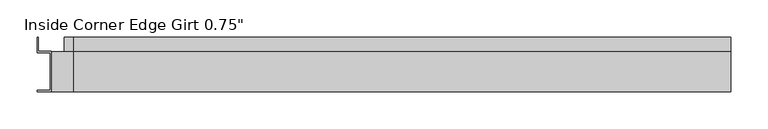
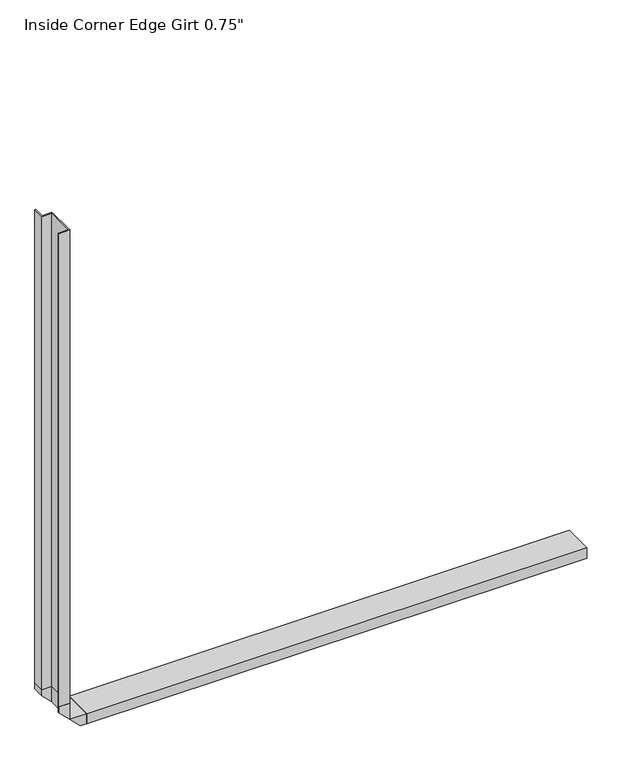
"""IFC4 building model written with IfcOpenShell, lengths in millimetres: proxy geometry."""

from ifc_helpers import new_model, si_unit, frame, origin, place, context, project, spatial, polyline, outline, extrude, faceted_brep, source, transform, mapped, element, save


def proxy_b8055fc9(model_context):
    return source(origin(), model_context, "Body", "SolidModel", [
        extrude(outline(polyline([(171.475, 46.0559645), (173.0883, 46.0559645), (173.0883, 27.0129), (190.5254, 27.0129), (190.5254, -27.0129), (171.475, -27.0129), (171.475, -25.4), (188.9125, -25.4), (188.9125, 25.4), (171.475, 25.4), (171.475, 46.0559645)])), frame((0.0, 0.0, 220.6625), z_axis=(0.0, 0.0, 1.0), x_axis=(1.0, 0.0, 0.0)), (0.0, 0.0, 1.0), 882.65),
        extrude(outline(polyline([(46.0559645, 171.475), (25.4, 171.475), (25.4, 188.9125), (-25.4, 188.9125), (-25.4, 171.475), (-27.0129, 171.475), (-27.0129, 190.5254), (27.0129, 190.5254), (27.0129, 173.0883), (46.0559645, 173.0883), (46.0559645, 171.475)])), frame((220.6625, 0.0, 0.0), z_axis=(1.0, 0.0, 0.0), x_axis=(0.0, 1.0, 0.0)), (0.0, 0.0, 1.0), 882.65),
        faceted_brep([(171.475, 25.4, 220.6625), (188.9125, 25.4, 220.6625), (188.9125, -25.4, 220.6625), (171.475, -25.4, 220.6625), (171.475, -27.0129, 220.6625), (190.5254, -27.0129, 220.6625), (190.5254, 27.0129, 220.6625), (173.0883, 27.0129, 220.6625), (173.0883, 46.0559645, 220.6625), (171.475, 46.0559645, 220.6625), (171.475, 25.4, 209.5758), (188.9125, 25.4, 192.1383), (220.6625, 25.4, 171.475), (220.6625, 25.4, 188.9125), (192.1383, 25.4, 188.9125), (209.5758, 25.4, 171.475), (188.9125, -25.4, 192.1383), (171.475, -25.4, 209.5758), (220.6625, -25.4, 188.9125), (220.6625, -25.4, 171.475), (209.5758, -25.4, 171.475), (192.1383, -25.4, 188.9125), (171.475, -27.0129, 209.5758), (190.5254, -27.0129, 190.5254), (220.6625, -27.0129, 171.475), (220.6625, -27.0129, 190.5254), (209.5758, -27.0129, 171.475), (190.5254, 27.0129, 190.5254), (173.0883, 27.0129, 207.9625), (220.6625, 27.0129, 190.5254), (220.6625, 27.0129, 173.0883), (207.9625, 27.0129, 173.0883), (173.0883, 46.0559645, 207.9625), (171.475, 46.0559645, 209.5758), (220.6625, 46.0559645, 173.0883), (220.6625, 46.0559645, 171.475), (209.5758, 46.0559645, 171.475), (207.9625, 46.0559645, 173.0883)], [[[0, 1, 2, 3, 4, 5, 6, 7, 8, 9]], [[1, 0, 10, 11]], [[12, 13, 14, 15]], [[2, 1, 11, 16]], [[3, 2, 16, 17]], [[18, 19, 20, 21]], [[4, 3, 17, 22]], [[5, 4, 22, 23]], [[24, 25, 23, 26]], [[6, 5, 23, 27]], [[7, 6, 27, 28]], [[27, 29, 30, 31]], [[8, 7, 28, 32]], [[9, 8, 32, 33]], [[34, 35, 36, 37]], [[0, 9, 33, 10]], [[13, 12, 35, 34, 30, 29, 25, 24, 19, 18]], [[13, 18, 21, 14]], [[19, 24, 26, 20]], [[23, 25, 29, 27]], [[30, 34, 37, 31]], [[35, 12, 15, 36]], [[23, 27, 31, 37, 36, 15, 14, 21, 20, 26]], [[27, 23, 22, 17, 16, 11, 10, 33, 32, 28]]]),
    ])


if __name__ == "__main__":
    model = new_model("IFC4")
    model_context = context("Model", 3, world=origin())
    ifc_project = project(units=[si_unit("LENGTHUNIT", "METRE", prefix="MILLI")], contexts=[model_context])
    site = spatial("IfcSite", under=ifc_project)
    building = spatial("IfcBuilding", under=site)
    placement = place(None, origin())
    proxy_shape = proxy_b8055fc9(model_context)
    element("IfcBuildingElementProxy", 1, Name="Inside Corner Edge Girt 0.75\"", ObjectType="Inside Corner Edge Girt 0.75\"", at=placement, inside=building, context=model_context, shape_type="MappedRepresentation", body=[
        mapped(proxy_shape, transform((0.0, 0.0, 0.0), x_axis=(1.0, 0.0, 0.0), y_axis=(0.0, 1.0, 0.0), z_axis=(0.0, 0.0, 1.0))),
    ])
    save(model, "model.ifc")
